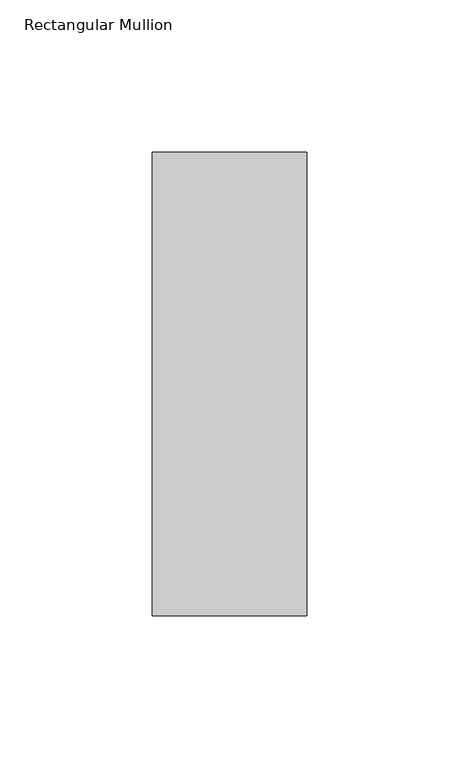
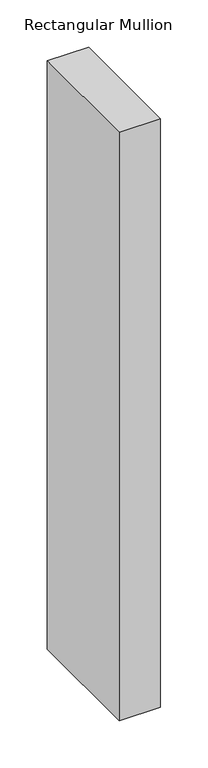
"""IFC4 building model written with IfcOpenShell, lengths in millimetres: member geometry, Rectangular Mullion."""

import ifcopenshell
import ifcopenshell.guid

model = None  # the IFC model being written
_history = None  # IfcOwnerHistory: only IFC2X3 demands one
_inside = {}  # id of a spatial element -> (the spatial element, [elements in it])
_under = {}  # id of a project, library or spatial element -> (it, [spatial elements below it])
_declared = {}  # id of a project -> (the project, [libraries it declares])
_typed = {}  # id of a type object -> (the type object, [elements of that type])
_made_of = {}  # id of a material, layer set ... -> (it, [elements and type objects made of it])


def new_model(schema):
    """Start an empty IFC model of exactly this schema.

    Asked for "IFC4X3", IfcOpenShell would pick the latest addendum, in which some entities
    have other attributes; the version numbers below select the first issue.
    IFC2X3 requires an IfcOwnerHistory on every rooted entity: one is made here for all.
    """
    global model, _history
    if schema == "IFC4X3":
        model = ifcopenshell.file(schema_version=(4, 3, 0, 0))
    else:
        model = ifcopenshell.file(schema=schema)
    _inside.clear()
    _under.clear()
    _declared.clear()
    _typed.clear()
    _made_of.clear()
    _history = None
    if model.schema == "IFC2X3":
        org = make("IfcOrganization", Name="unknown")
        user = make(
            "IfcPersonAndOrganization",
            ThePerson=make("IfcPerson", FamilyName="unknown"),
            TheOrganization=org,
        )
        app = make(
            "IfcApplication",
            ApplicationDeveloper=org,
            Version="unknown",
            ApplicationFullName="unknown",
            ApplicationIdentifier="unknown",
        )
        _history = make(
            "IfcOwnerHistory",
            OwningUser=user,
            OwningApplication=app,
            ChangeAction="ADDED",
            CreationDate=0,
        )
    return model


def make(cls, **values):
    """One entity of the class cls with the attributes given. An attribute that is None is left unset."""
    return model.create_entity(
        cls, **{name: value for name, value in values.items() if value is not None}
    )


def rooted(cls, **values):
    """An entity with a GlobalId (a new one), such as an element, a storey or a relation."""
    return make(cls, GlobalId=ifcopenshell.guid.new(), OwnerHistory=_history, **values)


def si_unit(unit_type, name, prefix=None):
    """IfcSIUnit, for example si_unit("LENGTHUNIT", "METRE", prefix="MILLI")."""
    return make("IfcSIUnit", UnitType=unit_type, Prefix=prefix, Name=name)


def assignment(units):
    """IfcUnitAssignment: the units of a project."""
    return None if units is None else make("IfcUnitAssignment", Units=units)


def point(xyz):
    """IfcCartesianPoint."""
    return None if xyz is None else make("IfcCartesianPoint", Coordinates=xyz)


def direction(xyz):
    """IfcDirection."""
    return None if xyz is None else make("IfcDirection", DirectionRatios=xyz)


def frame(location, z_axis=None, x_axis=None):
    """IfcAxis2Placement3D, a coordinate frame: its origin and axes. An axis left out is left unset."""
    return make(
        "IfcAxis2Placement3D",
        Location=point(location),
        Axis=direction(z_axis),
        RefDirection=direction(x_axis),
    )


def origin():
    """The frame at (0, 0, 0) with its axes left unset."""
    return frame((0.0, 0.0, 0.0))


def place(relative_to, where):
    """IfcLocalPlacement: puts the frame where relative to a parent placement (None: the world)."""
    return make(
        "IfcLocalPlacement", PlacementRelTo=relative_to, RelativePlacement=where
    )


def context(
    kind, dimensions, precision=None, world=None, true_north=None, identifier=None
):
    """IfcGeometricRepresentationContext, for example the 3D "Model" context."""
    return make(
        "IfcGeometricRepresentationContext",
        ContextIdentifier=identifier,
        ContextType=kind,
        CoordinateSpaceDimension=dimensions,
        Precision=precision,
        WorldCoordinateSystem=world,
        TrueNorth=true_north,
    )


def project(units=None, contexts=None):
    """IfcProject with its units and contexts."""
    return rooted(
        "IfcProject",
        Name="project",
        RepresentationContexts=contexts,
        UnitsInContext=assignment(units),
    )


def spatial(cls, under=None, at=None, **own):
    """A site, building, storey or space (cls), placed at a placement, below another one or the project."""
    s = rooted(cls, ObjectPlacement=at, **own)
    if under is not None:
        _under.setdefault(under.id(), (under, []))[1].append(s)
    return s


def polyline(points):
    """IfcPolyline through the points."""
    return make("IfcPolyline", Points=[point(p) for p in points])


def outline(outer, holes=None, kind="AREA"):
    """IfcArbitraryClosedProfileDef: a profile drawn as a closed curve; with holes, ...WithVoids."""
    if holes is None:
        return make("IfcArbitraryClosedProfileDef", ProfileType=kind, OuterCurve=outer)
    return make(
        "IfcArbitraryProfileDefWithVoids",
        ProfileType=kind,
        OuterCurve=outer,
        InnerCurves=holes,
    )


def extrude(swept, where, along, depth):
    """IfcExtrudedAreaSolid: the profile swept, set in the frame where, extruded along a direction by depth."""
    return make(
        "IfcExtrudedAreaSolid",
        SweptArea=swept,
        Position=where,
        ExtrudedDirection=direction(along),
        Depth=depth,
    )


def shape(context_of_items, identifier, shape_type, items):
    """IfcShapeRepresentation: the items that make up one representation, for example the "Body"."""
    return make(
        "IfcShapeRepresentation",
        ContextOfItems=context_of_items,
        RepresentationIdentifier=identifier,
        RepresentationType=shape_type,
        Items=items,
    )


def source(mapping_origin, context_of_items, identifier, shape_type, items):
    """IfcRepresentationMap: a shape defined once, which mapped items show again and again."""
    return make(
        "IfcRepresentationMap",
        MappingOrigin=mapping_origin,
        MappedRepresentation=shape(context_of_items, identifier, shape_type, items),
    )


def transform(
    local_origin,
    x_axis=None,
    y_axis=None,
    z_axis=None,
    scale=None,
    scale2=None,
    scale3=None,
    uniform=True,
):
    """IfcCartesianTransformationOperator3D, or its non-uniform kind. x_axis, y_axis, z_axis: its Axis1, 2, 3."""
    if uniform:
        return make(
            "IfcCartesianTransformationOperator3D",
            Axis1=direction(x_axis),
            Axis2=direction(y_axis),
            LocalOrigin=point(local_origin),
            Scale=scale,
            Axis3=direction(z_axis),
        )
    return make(
        "IfcCartesianTransformationOperator3DnonUniform",
        Axis1=direction(x_axis),
        Axis2=direction(y_axis),
        LocalOrigin=point(local_origin),
        Scale=scale,
        Axis3=direction(z_axis),
        Scale2=scale2,
        Scale3=scale3,
    )


def mapped(mapping_source, mapping_target):
    """IfcMappedItem: shows the shape of a source again, moved by a transform."""
    return make(
        "IfcMappedItem", MappingSource=mapping_source, MappingTarget=mapping_target
    )


def made_of(thing, what):
    """Note that an element or type object is made of a material, layer set ...; save() writes the relation."""
    if what is not None:
        _made_of.setdefault(what.id(), (what, []))[1].append(thing)
    return thing


def element(
    cls,
    number,
    at=None,
    inside=None,
    cuts=None,
    type_object=None,
    material=None,
    context=None,
    identifier="Body",
    shape_type=None,
    held_by="IfcProductDefinitionShape",
    body=None,
    shapes=None,
    **own,
):
    """One element of the class cls, such as IfcWall. Its Tag is "e" and its number.

    at: its placement. inside: the storey or other place that contains it. cuts: it is an
    opening in that element (IfcRelVoidsElement). A single representation is given by context,
    identifier, shape_type and body (its items); several are given by shapes. held_by: the class
    of the entity that holds the representations. save() writes the other relations.
    """
    e = rooted(cls, Tag="e%d" % number, ObjectPlacement=at, **own)
    if body is not None:
        shapes = [shape(context, identifier, shape_type, body)]
    if shapes is not None:
        e.Representation = make(held_by, Representations=shapes)
    if inside is not None:
        _inside.setdefault(inside.id(), (inside, []))[1].append(e)
    if cuts is not None:
        rooted(
            "IfcRelVoidsElement", RelatingBuildingElement=cuts, RelatedOpeningElement=e
        )
    if type_object is not None:
        _typed.setdefault(type_object.id(), (type_object, []))[1].append(e)
    return made_of(e, material)


def aggregate(whole, parts):
    """IfcRelAggregates: a whole, such as a stair, and the parts it consists of."""
    return rooted("IfcRelAggregates", RelatingObject=whole, RelatedObjects=parts)


def save(model, path):
    """Write the relations noted so far, then the file.

    IfcRelAggregates (storeys below a building ...), IfcRelContainedInSpatialStructure (elements
    in a storey), IfcRelDefinesByType, IfcRelAssociatesMaterial and IfcRelDeclares: one each for
    every whole, place, type object, material and project.
    """
    for whole, parts in _under.values():
        aggregate(whole, parts)
    for where, things in _inside.values():
        rooted(
            "IfcRelContainedInSpatialStructure",
            RelatedElements=things,
            RelatingStructure=where,
        )
    for kind, things in _typed.values():
        rooted("IfcRelDefinesByType", RelatedObjects=things, RelatingType=kind)
    for what, things in _made_of.values():
        rooted("IfcRelAssociatesMaterial", RelatedObjects=things, RelatingMaterial=what)
    for by, libraries in _declared.values():
        rooted("IfcRelDeclares", RelatingContext=by, RelatedDefinitions=libraries)
    model.write(path)


def rectangular_mullion_1c67ed1c(model_context):
    return source(origin(), model_context, "Body", "SweptSolid", [
        extrude(outline(polyline([(0.0, 26.19375), (0.0, -126.20625), (-50.8, -126.20625), (-50.8, 26.19375), (0.0, 26.19375)])), frame((0.0, 0.0, -762.0), z_axis=(0.0, 0.0, 1.0), x_axis=(1.0, 0.0, 0.0)), (0.0, 0.0, 1.0), 762.0),
    ])


if __name__ == "__main__":
    model = new_model("IFC4")
    model_context = context("Model", 3, world=origin())
    ifc_project = project(units=[si_unit("LENGTHUNIT", "METRE", prefix="MILLI")], contexts=[model_context])
    site = spatial("IfcSite", under=ifc_project)
    building = spatial("IfcBuilding", under=site)
    placement = place(None, origin())
    rectangular_mullion_shape = rectangular_mullion_1c67ed1c(model_context)
    element("IfcMember", 1, ObjectType="Rectangular Mullion", at=placement, inside=building, context=model_context, shape_type="MappedRepresentation", body=[
        mapped(rectangular_mullion_shape, transform((0.0, 0.0, 0.0), x_axis=(1.0, 0.0, 0.0), y_axis=(0.0, 1.0, 0.0), z_axis=(0.0, 0.0, 1.0))),
    ])
    save(model, "model.ifc")
